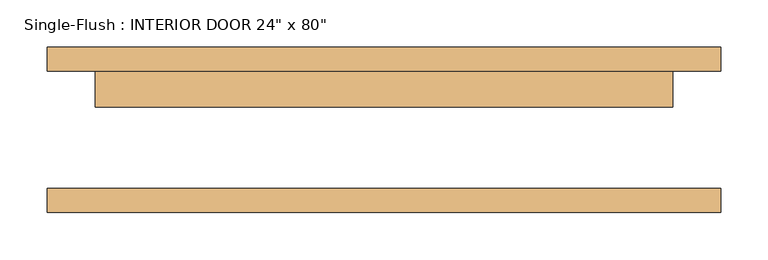
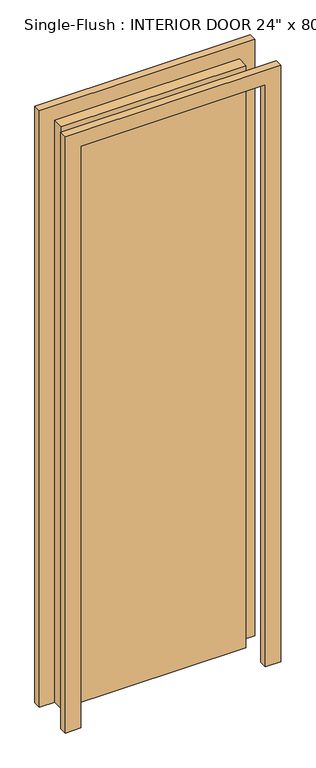
"""IFC4 building model written with IfcOpenShell, lengths in millimetres: door geometry."""

from ifc_helpers import new_model, si_unit, frame, origin, origin_with_axes, place, context, project, spatial, polyline, outline, extrude, source, transform, mapped, element, save


def door_21e8e995(model_context):
    return source(origin(), model_context, "Body", "SweptSolid", [
        extrude(outline(polyline([(304.8, 23.8125), (-304.8, 23.8125), (-304.8, 61.9125), (304.8, 61.9125), (304.8, 23.8125)])), origin_with_axes(), (0.0, 0.0, 1.0), 2032.0),
        extrude(outline(polyline([(2082.8, -355.6), (0.0, -355.6), (0.0, -304.8), (2032.0, -304.8), (2032.0, 304.8), (0.0, 304.8), (0.0, 355.6), (2082.8, 355.6), (2082.8, -355.6)])), frame((0.0, 61.9125, 0.0), z_axis=(0.0, 1.0, 0.0), x_axis=(0.0, 0.0, 1.0)), (0.0, 0.0, 1.0), 25.4),
        extrude(outline(polyline([(2082.8, 355.6), (2082.8, -355.6), (0.0, -355.6), (0.0, -304.8), (2032.0, -304.8), (2032.0, 304.8), (0.0, 304.8), (0.0, 355.6), (2082.8, 355.6)])), frame((0.0, -87.3125, 0.0), z_axis=(0.0, 1.0, 0.0), x_axis=(0.0, 0.0, 1.0)), (0.0, 0.0, 1.0), 25.4),
    ])


if __name__ == "__main__":
    model = new_model("IFC4")
    model_context = context("Model", 3, world=origin())
    ifc_project = project(units=[si_unit("LENGTHUNIT", "METRE", prefix="MILLI")], contexts=[model_context])
    site = spatial("IfcSite", under=ifc_project)
    building = spatial("IfcBuilding", under=site)
    placement = place(None, origin())
    door_shape = door_21e8e995(model_context)
    element("IfcDoor", 1, ObjectType="Single-Flush : INTERIOR DOOR 24\" x 80\"", at=placement, inside=building, context=model_context, shape_type="MappedRepresentation", body=[
        mapped(door_shape, transform((0.0, 0.0, 0.0), x_axis=(1.0, 0.0, 0.0), y_axis=(0.0, 1.0, 0.0), z_axis=(0.0, 0.0, 1.0))),
    ])
    save(model, "model.ifc")
